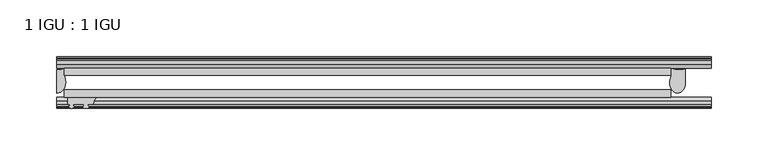
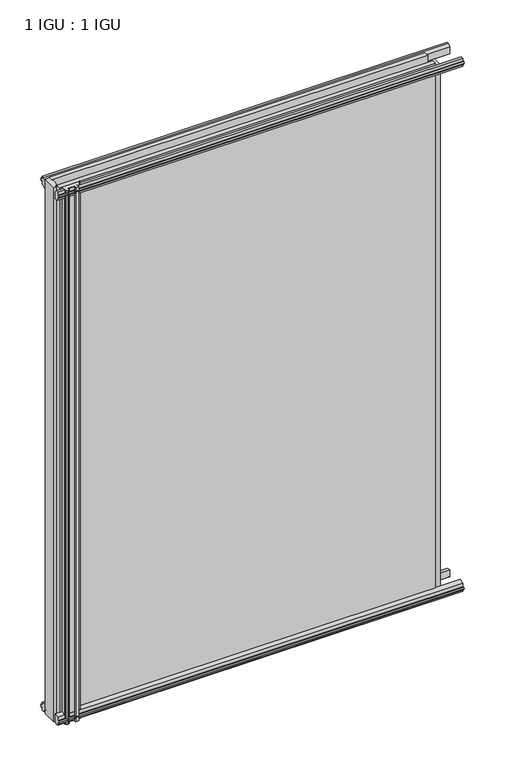
"""IFC4 building model written with IfcOpenShell, lengths in millimetres: plate geometry, 1 IGU : 1 IGU."""

from ifc_helpers import new_model, si_unit, point, frame, frame_2d, origin, place, context, project, spatial, polyline, circle_curve, ellipse_curve, trimmed, segment, composite_curve, outline, extrude, source, transform, mapped, element, save
from ifc_brep_helpers import plane_surface, cylinder_surface, revolved_surface, extruded_surface, advanced_brep


def plate_1_igu_1_igu_e477188a(model_context):
    return source(origin(), model_context, "Body", "SolidModel", [
        extrude(outline(polyline([(-314.3261907, -38.6468937), (218.0840032, -38.6468937), (218.0840032, -44.9460938), (-314.3261907, -44.9460938), (-314.3261907, -38.6468937)])), frame((0.0, 0.0, -12.7), z_axis=(0.0, 0.0, 1.0), x_axis=(1.0, 0.0, 0.0)), (0.0, 0.0, 1.0), 800.0999999),
        extrude(outline(polyline([(-314.3261907, -19.5460937), (218.0840032, -19.5460937), (218.0840032, -25.8960938), (-314.3261907, -25.8960938), (-314.3261907, -19.5460937)])), frame((0.0, 0.0, -12.7), z_axis=(0.0, 0.0, 1.0), x_axis=(1.0, 0.0, 0.0)), (0.0, 0.0, 1.0), 800.0999999),
        advanced_brep(
        [(230.8149887, -20.0381352, 774.6999999), (218.1149887, -19.5460938, 774.6999999), (218.1149887, -25.8960938, 774.6999999), (217.2629308, -29.4671887, 774.6999999), (230.8149887, -32.2460938, 774.6999999), (230.8149887, -20.0381352, -12.4587), (230.8149887, -32.2460938, -12.4587), (217.266167, -29.4679608, -12.4587), (218.1149887, -25.8960938, -12.4587), (218.1149887, -19.5460938, -12.4587)],
        [
            (0, 1, circle_curve(frame((225.0982619, -3.4468047, 774.6999999), z_axis=(0.0, 0.0, -1.0), x_axis=(0.0, 1.0, 0.0)), 17.5485957)),
            (1, 2),
            (2, 3),
            (3, 4, ellipse_curve(frame((223.8788201, -32.2460938, 774.6999999), z_axis=(0.0, 0.0, 1.0), x_axis=(0.0, -1.0, 0.0)), 9.2039536, 6.9361686)),
            (4, 0),
            (5, 6),
            (6, 7, ellipse_curve(frame((223.8788201, -32.2460938, -12.4587), z_axis=(0.0, 0.0, -1.0), x_axis=(0.0, -1.0, 0.0)), 9.2039536, 6.9361686)),
            (7, 8),
            (8, 9),
            (9, 5, circle_curve(frame((225.0982619, -3.4468047, -12.4587), z_axis=(0.0, 0.0, 1.0), x_axis=(0.0, 1.0, 0.0)), 17.5485957)),
            (0, 5),
            (9, 1),
            (8, 2),
            (7, 3),
            (6, 4),
        ],
        [
            plane_surface(frame((253.2074407, -13.1960938, 774.6999999), z_axis=(0.0, 0.0, 1.0), x_axis=(0.0, 1.0, 0.0))),
            plane_surface(frame((253.2074407, -13.1960938, -12.4587), z_axis=(0.0, 0.0, -1.0), x_axis=(0.0, 1.0, 0.0))),
            revolved_surface(polyline([(225.0982619, 14.101791, -12.458700000000022), (225.0982619, 14.101791, 774.6999999)]), (225.0982619, -3.4468047, 774.6999999), (0.0, 0.0, -1.0)),
            plane_surface(frame((218.1149887, -19.5460938, 774.6999999), z_axis=(-1.0, 0.0, 0.0), x_axis=(0.0, 0.0, -1.0))),
            plane_surface(frame((218.1149887, -25.8960938, 774.6999999), z_axis=(-0.972695803429064, 0.23208376503212744, 0.0), x_axis=(0.0, 0.0, -1.0))),
            extruded_surface(trimmed(ellipse_curve(frame((223.8788201, -32.2460938, -12.4587), z_axis=(0.0, 0.0, 1.0), x_axis=(0.0, -1.0, 0.0)), 9.2039536, 6.9361686), [point((217.266167, -29.4679608, -12.4587))], [point((230.8149887, -32.2460938, -12.4587))], True, "CARTESIAN"), (0.0, 0.0, 787.1586999), 787.1586999),
            plane_surface(frame((230.8149887, -32.2460938, 774.6999999), z_axis=(1.0, 0.0, 0.0), x_axis=(0.0, 0.0, -1.0))),
        ],
        [
            (0, [[1, 2, 3, 4, 5]]),
            (1, [[6, 7, 8, 9, 10]]),
            (2, [[-1, 11, -10, 12]]),
            (3, [[-2, -12, -9, 13]]),
            (4, [[-3, -13, -8, 14]]),
            (5, [[-4, -14, -7, 15]]),
            (6, [[-5, -15, -6, -11]]),
        ],
    ),
        advanced_brep(
        [(-320.6761907, -21.1706006, -12.7), (-314.3275788, -19.5461438, -12.7), (-314.3275788, -25.8549351, -12.7), (-313.1522276, -32.21431, -12.7), (-320.6761907, -41.5384043, -12.7), (-320.6761907, -21.1706006, 787.3999999), (-320.6761907, -41.5384043, 787.3999999), (-313.1522276, -32.21431, 787.3999999), (-314.3275788, -25.8549351, 787.3999999), (-314.3275788, -19.5461438, 787.3999999)],
        [
            (0, 1, circle_curve(frame((-320.6767601, -7.9505008, -12.7), z_axis=(0.0, 0.0, 1.0), x_axis=(1.0, 0.0, 0.0)), 13.2200998)),
            (1, 2),
            (2, 3, circle_curve(frame((-331.2145919, -32.2643264, -12.7), z_axis=(0.0, 0.0, -1.0), x_axis=(1.0, 0.0, 0.0)), 18.0624336)),
            (3, 4, ellipse_curve(frame((-320.6753578, -32.2460921, -12.7), z_axis=(0.0, 0.0, -1.0), x_axis=(0.0, -1.0, 0.0)), 9.2923123, 7.5231742)),
            (4, 0),
            (5, 6),
            (6, 7, ellipse_curve(frame((-320.6753578, -32.2460921, 787.3999999), z_axis=(0.0, 0.0, 1.0), x_axis=(0.0, -1.0, 0.0)), 9.2923123, 7.5231742)),
            (7, 8, circle_curve(frame((-331.2145919, -32.2643264, 787.3999999), z_axis=(0.0, 0.0, 1.0), x_axis=(1.0, 0.0, 0.0)), 18.0624336)),
            (8, 9),
            (9, 5, circle_curve(frame((-320.6767601, -7.9505008, 787.3999999), z_axis=(0.0, 0.0, -1.0), x_axis=(1.0, 0.0, 0.0)), 13.2200998)),
            (0, 5),
            (9, 1),
            (8, 2),
            (7, 3),
            (6, 4),
        ],
        [
            plane_surface(frame((-320.6761907, -13.1960937, -12.7), z_axis=(0.0, 0.0, -1.0), x_axis=(0.0, 1.0, 0.0))),
            plane_surface(frame((-320.6761907, -13.1960937, 787.3999999), z_axis=(0.0, 0.0, 1.0), x_axis=(0.0, 1.0, 0.0))),
            revolved_surface(polyline([(-307.4566603, -7.9505008, 787.3999999), (-307.4566603, -7.9505008, -12.7)]), (-320.6767601, -7.9505008, -12.7), (0.0, 0.0, 1.0)),
            plane_surface(frame((-314.3275788, -19.5461438, -12.7), z_axis=(1.0, 0.0, 0.0), x_axis=(0.0, 0.0, 1.0))),
            cylinder_surface(frame((-331.2145919, -32.2643264, -12.7), z_axis=(0.0, 0.0, -1.0), x_axis=(1.0, 0.0, 0.0)), 18.0624336),
            extruded_surface(trimmed(ellipse_curve(frame((-320.6753578, -32.2460921, 787.3999999), z_axis=(0.0, 0.0, -1.0), x_axis=(0.0, -1.0, 0.0)), 9.2923123, 7.5231742), [point((-313.1522276, -32.21431, 787.3999999))], [point((-320.6761907, -41.5384043, 787.3999999))], True, "CARTESIAN"), (0.0, 0.0, -800.0999999000001), 800.0999999000001),
            plane_surface(frame((-320.6761907, -41.5384043, -12.7), z_axis=(-1.0, 0.0, 0.0), x_axis=(0.0, 0.0, 1.0))),
        ],
        [
            (0, [[1, 2, 3, 4, 5]]),
            (1, [[6, 7, 8, 9, 10]]),
            (2, [[-1, 11, -10, 12]]),
            (3, [[-2, -12, -9, 13]]),
            (4, [[-3, -13, -8, 14]]),
            (5, [[-4, -14, -7, 15]]),
            (6, [[-5, -15, -6, -11]]),
        ],
    ),
        extrude(outline(polyline([(-44.9460937, 1.7177181), (-44.9460937, -9.1036578), (-48.3496937, -11.938), (-51.2960937, -11.938), (-51.2960937, -7.493), (-53.6762907, -7.112), (-53.2163575, -8.5275291), (-54.0175717, -8.5275291), (-54.7250937, -6.35), (-54.0175717, -4.1724709), (-53.2163575, -4.1724709), (-53.6762907, -5.588), (-51.2960937, -5.207), (-51.2960937, 0.0), (-44.9460937, 1.7177181)])), frame((-320.6761907, 0.0, 0.0), z_axis=(1.0, 0.0, 0.0), x_axis=(0.0, 1.0, 0.0)), (0.0, 0.0, 1.0), 573.8836314),
        extrude(outline(polyline([(-13.1960937, -12.4587), (-16.1424937, -12.4587), (-19.5460937, -9.6243578), (-19.5460937, 1.1970181), (-13.1960937, -0.5207), (-13.1960937, -5.7277), (-10.8158968, -6.1087), (-11.27583, -4.6931709), (-10.4746158, -4.6931709), (-9.7670937, -6.8707), (-10.4746158, -9.0482291), (-11.27583, -9.0482291), (-10.8158968, -7.6327), (-13.1960937, -8.0137), (-13.1960937, -12.4587)])), frame((-320.6761907, 0.0, 0.0), z_axis=(1.0, 0.0, 0.0), x_axis=(0.0, 1.0, 0.0)), (0.0, 0.0, 1.0), 573.8836314),
        extrude(outline(polyline([(-51.2960937, 786.6379999), (-48.3496937, 786.6379999), (-44.9460937, 783.8036577), (-44.9460937, 772.9822818), (-51.2960937, 774.6999999), (-51.2960937, 779.9069999), (-53.6762907, 780.2879999), (-53.2163575, 778.8724708), (-54.0175717, 778.8724708), (-54.7250937, 781.0499999), (-54.0175717, 783.2275289), (-53.2163575, 783.2275289), (-53.6762907, 781.8119999), (-51.2960937, 782.1929999), (-51.2960937, 786.6379999)])), frame((-320.6761907, 0.0, 0.0), z_axis=(1.0, 0.0, 0.0), x_axis=(0.0, 1.0, 0.0)), (0.0, 0.0, 1.0), 573.8836314),
        extrude(outline(polyline([(-19.5460937, 773.5029818), (-19.5460937, 784.3243577), (-16.1424937, 787.1586999), (-13.1960937, 787.1586999), (-13.1960937, 782.7136999), (-10.8158968, 782.3326999), (-11.27583, 783.7482289), (-10.4746158, 783.7482289), (-9.7670937, 781.5706999), (-10.4746158, 779.3931708), (-11.27583, 779.3931708), (-10.8158968, 780.8086999), (-13.1960937, 780.4276999), (-13.1960937, 775.2206999), (-19.5460937, 773.5029818)])), frame((-320.6761907, 0.0, 0.0), z_axis=(1.0, 0.0, 0.0), x_axis=(0.0, 1.0, 0.0)), (0.0, 0.0, 1.0), 573.8836314),
        extrude(outline(composite_curve([segment(trimmed(circle_curve(frame_2d((-279.9102594, -51.9750196)), 9.0414579), [point((-285.5972763, -44.9460938))], [point((-288.9261909, -51.2960938))], True, "CARTESIAN"), True, "CONTINUOUS"), segment(polyline([(-288.9261909, -51.2960938), (-293.1679909, -51.2960938)]), True, "CONTINUOUS"), segment(trimmed(circle_curve(frame_2d((-293.1679909, -51.7532938)), 0.4572), [point((-293.1679909, -51.2960938))], [point((-293.5068087, -52.0602698))], True, "CARTESIAN"), True, "CONTINUOUS"), segment(trimmed(circle_curve(frame_2d((-295.2761909, -53.663367)), 2.3876), [point((-293.5068087, -52.0602698))], [point((-293.2055479, -54.8520938))], False, "CARTESIAN"), True, "CONTINUOUS"), segment(polyline([(-293.2055479, -54.8520938), (-297.3468339, -54.8520938)]), True, "CONTINUOUS"), segment(trimmed(circle_curve(frame_2d((-295.2761909, -53.663367)), 2.3876), [point((-297.3468339, -54.8520938))], [point((-297.045573, -52.0602698))], False, "CARTESIAN"), True, "CONTINUOUS"), segment(trimmed(circle_curve(frame_2d((-297.3843909, -51.7532938)), 0.4572), [point((-297.045573, -52.0602698))], [point((-297.3843909, -51.2960938))], True, "CARTESIAN"), True, "CONTINUOUS"), segment(polyline([(-297.3843909, -51.2960938), (-306.4521909, -51.2960938), (-306.4521909, -52.9470938), (-305.3745601, -52.9470938)]), True, "CONTINUOUS"), segment(trimmed(circle_curve(frame_2d((-306.4521909, -52.9470938)), 1.0776307), [point((-305.3745601, -52.9470938))], [point((-305.6901909, -53.7090938))], False, "CARTESIAN"), True, "CONTINUOUS"), segment(polyline([(-305.6901909, -53.7090938), (-307.4294833, -54.8194621)]), True, "CONTINUOUS"), segment(trimmed(circle_curve(frame_2d((-307.9761909, -53.9630938)), 1.016), [point((-307.4294833, -54.8194621))], [point((-308.5228985, -54.8194621))], False, "CARTESIAN"), True, "CONTINUOUS"), segment(polyline([(-308.5228985, -54.8194621), (-310.2621909, -53.7090938)]), True, "CONTINUOUS"), segment(trimmed(circle_curve(frame_2d((-309.5001909, -52.9470938)), 1.0776307), [point((-310.2621909, -53.7090938))], [point((-310.5778216, -52.9470938))], False, "CARTESIAN"), True, "CONTINUOUS"), segment(polyline([(-310.5778216, -52.9470938), (-309.5001909, -52.9470938), (-309.5001909, -51.2960938), (-311.1511909, -51.2960938), (-311.1511909, -44.9460938), (-285.5972763, -44.9460938)]), True, "CONTINUOUS")], self_intersect=False)), frame((0.0, 0.0, -12.7), z_axis=(0.0, 0.0, 1.0), x_axis=(1.0, 0.0, 0.0)), (0.0, 0.0, 1.0), 800.1),
    ])


if __name__ == "__main__":
    model = new_model("IFC4")
    model_context = context("Model", 3, world=origin())
    ifc_project = project(units=[si_unit("LENGTHUNIT", "METRE", prefix="MILLI")], contexts=[model_context])
    site = spatial("IfcSite", under=ifc_project)
    building = spatial("IfcBuilding", under=site)
    placement = place(None, origin())
    plate_1_igu_1_igu_shape = plate_1_igu_1_igu_e477188a(model_context)
    element("IfcPlate", 1, ObjectType="1 IGU : 1 IGU", at=placement, inside=building, context=model_context, shape_type="MappedRepresentation", body=[
        mapped(plate_1_igu_1_igu_shape, transform((0.0, 0.0, 0.0), x_axis=(1.0, 0.0, 0.0), y_axis=(0.0, 1.0, 0.0), z_axis=(0.0, 0.0, 1.0))),
    ])
    save(model, "model.ifc")
